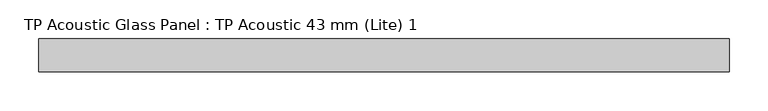
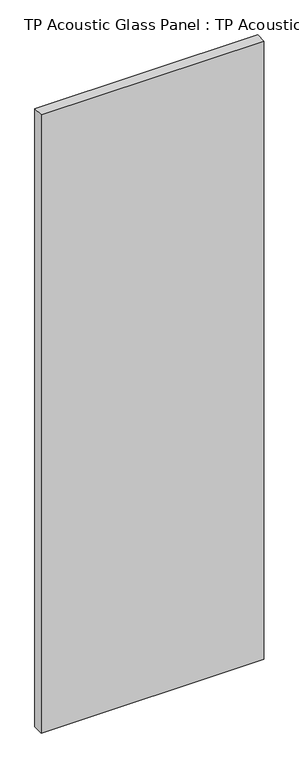
"""IFC4 building model written with IfcOpenShell, lengths in millimetres: plate geometry, TP Acoustic Glass Panel : TP Acoustic 43 mm (Lite) 1."""

from ifc_helpers import new_model, si_unit, origin, origin_with_axes, place, context, project, spatial, polyline, outline, extrude, source, transform, mapped, element, save


def tp_acoustic_glass_panel_tp_acoustic_43_mm_lite_1_979bfa50(model_context):
    return source(origin(), model_context, "Body", "SweptSolid", [
        extrude(outline(polyline([(447.5, 21.5), (447.5, -21.5), (-447.5, -21.5), (-447.5, 21.5), (447.5, 21.5)])), origin_with_axes(), (0.0, 0.0, 1.0), 2628.0),
    ])


if __name__ == "__main__":
    model = new_model("IFC4")
    model_context = context("Model", 3, world=origin())
    ifc_project = project(units=[si_unit("LENGTHUNIT", "METRE", prefix="MILLI")], contexts=[model_context])
    site = spatial("IfcSite", under=ifc_project)
    building = spatial("IfcBuilding", under=site)
    placement = place(None, origin())
    tp_acoustic_glass_panel_tp_acoustic_43_mm_lite_1_shape = tp_acoustic_glass_panel_tp_acoustic_43_mm_lite_1_979bfa50(model_context)
    element("IfcPlate", 1, ObjectType="TP Acoustic Glass Panel : TP Acoustic 43 mm (Lite) 1", at=placement, inside=building, context=model_context, shape_type="MappedRepresentation", body=[
        mapped(tp_acoustic_glass_panel_tp_acoustic_43_mm_lite_1_shape, transform((0.0, 0.0, 0.0), x_axis=(1.0, 0.0, 0.0), y_axis=(0.0, 1.0, 0.0), z_axis=(0.0, 0.0, 1.0))),
    ])
    save(model, "model.ifc")
